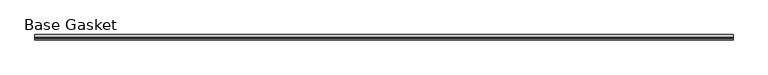
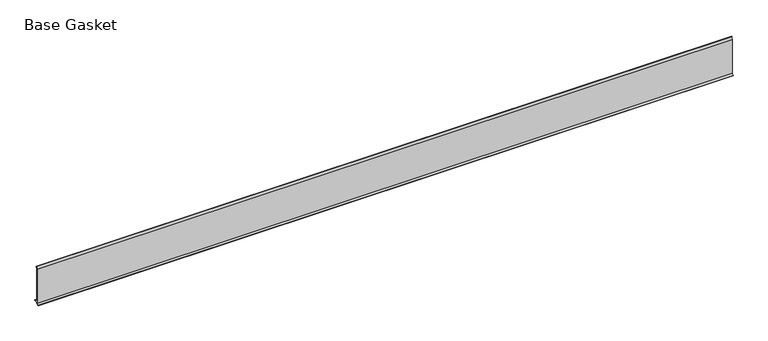
"""IFC4 building model written with IfcOpenShell, lengths in millimetres: furniture geometry, Base Gasket."""

from ifc_helpers import new_model, si_unit, frame, origin, place, context, project, spatial, polyline, outline, extrude, source, transform, mapped, element, save


def base_gasket_4a7046be(model_context):
    return source(origin(), model_context, "Body", "SweptSolid", [
        extrude(outline(polyline([(-3.7283812, 98.4568417), (-1.1891543, 104.587663), (-0.6755308, 105.2002997), (-0.6755308, 104.4162708), (-2.2043812, 98.4568417), (-2.2043812, 96.8693477), (-1.4106313, 96.8693477), (-1.4106313, 71.4693447), (-2.2043812, 71.4693447), (-2.2043812, 7.9398773), (6.2405171, 7.9398773), (6.2405171, 6.3818476), (-2.1334222, 6.3818476), (-2.2043812, 4.3498477), (-6.8281054, 0.3520979), (-7.8482342, 0.0), (-7.4222115, 0.6560174), (-3.7283812, 4.3498477), (-3.7283812, 98.4568417)])), frame((-1527.8982117, 0.0, 0.0), z_axis=(1.0, 0.0, 0.0), x_axis=(0.0, 1.0, 0.0)), (0.0, 0.0, 1.0), 1823.7962),
    ])


if __name__ == "__main__":
    model = new_model("IFC4")
    model_context = context("Model", 3, world=origin())
    ifc_project = project(units=[si_unit("LENGTHUNIT", "METRE", prefix="MILLI")], contexts=[model_context])
    site = spatial("IfcSite", under=ifc_project)
    building = spatial("IfcBuilding", under=site)
    placement = place(None, origin())
    base_gasket_shape = base_gasket_4a7046be(model_context)
    element("IfcFurniture", 1, ObjectType="Base Gasket", at=placement, inside=building, context=model_context, shape_type="MappedRepresentation", body=[
        mapped(base_gasket_shape, transform((0.0, 0.0, 0.0), x_axis=(1.0, 0.0, 0.0), y_axis=(0.0, 1.0, 0.0), z_axis=(0.0, 0.0, 1.0))),
    ])
    save(model, "model.ifc")
